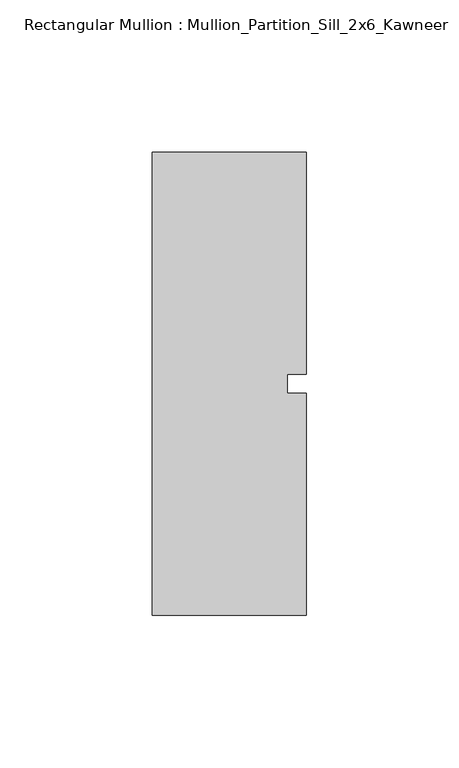
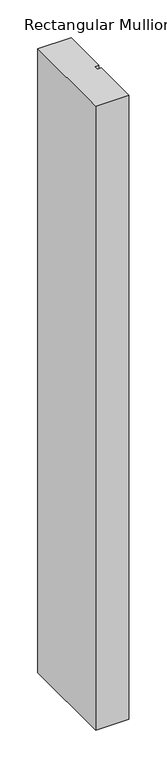
"""IFC4 building model written with IfcOpenShell, lengths in millimetres: member geometry, Rectangular Mullion : Mullion_Partition_Sill_2x6_Kawneer."""

from ifc_helpers import new_model, si_unit, frame, origin, place, context, project, spatial, polyline, outline, extrude, source, transform, mapped, element, save


def rectangular_mullion_mullion_partition_sill_2x6_kawneer_8b329014(model_context):
    return source(origin(), model_context, "Body", "SweptSolid", [
        extrude(outline(polyline([(25.4, -76.2), (-25.4, -76.2), (-25.4, 76.2), (25.4, 76.2), (25.4, 3.175), (19.05, 3.175), (19.05, -3.175), (25.4, -3.175), (25.4, -76.2)])), frame((0.0, 0.0, -1005.84), z_axis=(0.0, 0.0, 1.0), x_axis=(1.0, 0.0, 0.0)), (0.0, 0.0, 1.0), 1005.84),
    ])


if __name__ == "__main__":
    model = new_model("IFC4")
    model_context = context("Model", 3, world=origin())
    ifc_project = project(units=[si_unit("LENGTHUNIT", "METRE", prefix="MILLI")], contexts=[model_context])
    site = spatial("IfcSite", under=ifc_project)
    building = spatial("IfcBuilding", under=site)
    placement = place(None, origin())
    rectangular_mullion_mullion_partition_sill_2x6_kawneer_shape = rectangular_mullion_mullion_partition_sill_2x6_kawneer_8b329014(model_context)
    element("IfcMember", 1, ObjectType="Rectangular Mullion : Mullion_Partition_Sill_2x6_Kawneer", at=placement, inside=building, context=model_context, shape_type="MappedRepresentation", body=[
        mapped(rectangular_mullion_mullion_partition_sill_2x6_kawneer_shape, transform((0.0, 0.0, 0.0), x_axis=(1.0, 0.0, 0.0), y_axis=(0.0, 1.0, 0.0), z_axis=(0.0, 0.0, 1.0))),
    ])
    save(model, "model.ifc")
